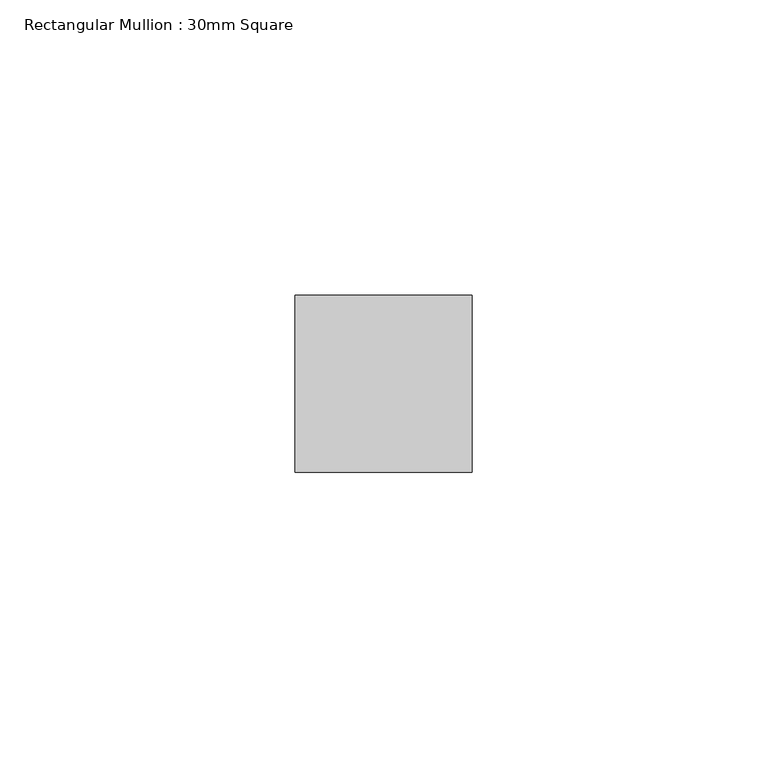
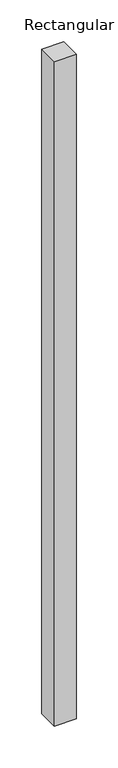
"""IFC4 building model written with IfcOpenShell, lengths in millimetres: member geometry, Rectangular Mullion : 30mm Square."""

from ifc_helpers import new_model, si_unit, frame, origin, place, context, project, spatial, polyline, outline, extrude, source, transform, mapped, element, save


def rectangular_mullion_30mm_square_9ed4fe2b(model_context):
    return source(origin(), model_context, "Body", "SweptSolid", [
        extrude(outline(polyline([(15.0, 15.0), (15.0, -15.0), (-15.0, -15.0), (-15.0, 15.0), (15.0, 15.0)])), frame((0.0, 0.0, -969.445556), z_axis=(0.0, 0.0, 1.0), x_axis=(1.0, 0.0, 0.0)), (0.0, 0.0, 1.0), 969.445556),
    ])


if __name__ == "__main__":
    model = new_model("IFC4")
    model_context = context("Model", 3, world=origin())
    ifc_project = project(units=[si_unit("LENGTHUNIT", "METRE", prefix="MILLI")], contexts=[model_context])
    site = spatial("IfcSite", under=ifc_project)
    building = spatial("IfcBuilding", under=site)
    placement = place(None, origin())
    rectangular_mullion_30mm_square_shape = rectangular_mullion_30mm_square_9ed4fe2b(model_context)
    element("IfcMember", 1, ObjectType="Rectangular Mullion : 30mm Square", at=placement, inside=building, context=model_context, shape_type="MappedRepresentation", body=[
        mapped(rectangular_mullion_30mm_square_shape, transform((0.0, 0.0, 0.0), x_axis=(1.0, 0.0, 0.0), y_axis=(0.0, 1.0, 0.0), z_axis=(0.0, 0.0, 1.0))),
    ])
    save(model, "model.ifc")
